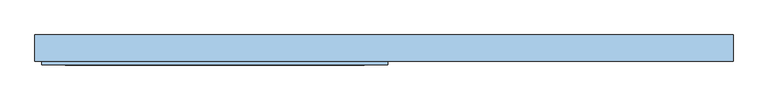
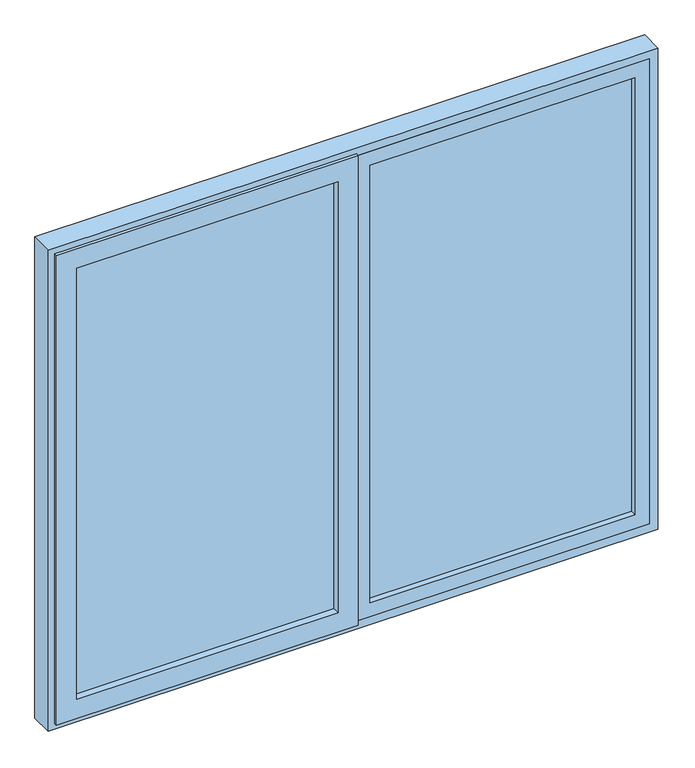
"""IFC4 building model written with IfcOpenShell, lengths in millimetres: window geometry."""

from ifc_helpers import new_model, si_unit, frame, origin, place, context, project, spatial, polyline, outline, extrude, faceted_brep, source, transform, mapped, element, save


def window_8573f0d1(model_context):
    return source(origin(), model_context, "Body", "SolidModel", [
        faceted_brep([(0.0, 33.8, 968.0), (0.0, 33.8, 925.0), (0.0, -29.2, 925.0), (0.0, -29.2, 968.0), (0.0, 33.3, 968.0), (0.0, 33.8, 2332.0), (0.0, 33.8, 2375.0), (875.0, 33.8, 2375.0), (875.0, 33.8, 925.0), (49.6, 33.8, 968.0), (832.0, 33.8, 968.0), (832.0, 33.8, 2332.0), (49.6, 33.8, 2332.0), (875.0, -29.2, 925.0), (0.0, -29.2, 2375.0), (0.0, -29.2, 2332.0), (3.4, -29.2, 2332.0), (3.4, -29.2, 968.0), (875.0, -29.2, 2375.0), (832.0, -29.2, 968.0), (49.6, -29.2, 968.0), (49.6, -29.2, 2332.0), (832.0, -29.2, 2332.0), (3.4, 33.3, 968.0), (-40.4, 33.3, 968.0), (-40.4, 38.8, 968.0), (49.6, 38.8, 968.0), (3.4, 33.3, 2332.0), (49.6, 38.8, 2332.0), (-40.4, 33.3, 2332.0), (0.0, 33.3, 2332.0), (-40.4, 38.8, 2332.0)], [[[0, 1, 2, 3, 4]], [[5, 6, 7, 8, 1, 0, 9, 10, 11, 12]], [[2, 1, 8, 13]], [[14, 15, 16, 17, 3, 2, 13, 18], [19, 20, 21, 22]], [[4, 3, 17, 23]], [[19, 10, 9, 20]], [[24, 25, 26, 9, 0, 4]], [[27, 23, 17, 16]], [[18, 13, 8, 7]], [[26, 28, 12, 21, 20, 9]], [[19, 22, 11, 10]], [[29, 24, 4, 23, 27, 30]], [[29, 31, 25, 24]], [[31, 28, 26, 25]], [[15, 14, 6, 5, 30]], [[6, 14, 18, 7]], [[28, 31, 29, 30, 5, 12]], [[15, 30, 27, 16]], [[11, 22, 21, 12]]]),
        extrude(outline(polyline([(832.0, -11.2), (49.6, -11.2), (49.6, 30.8), (832.0, 30.8), (832.0, -11.2)])), frame((0.0, 0.0, 968.0), z_axis=(0.0, 0.0, 1.0), x_axis=(1.0, 0.0, 0.0)), (0.0, 0.0, 1.0), 1364.0),
        extrude(outline(polyline([(-50.4, -17.2), (-822.0, -17.2), (-822.0, 24.8), (-50.4, 24.8), (-50.4, -17.2)])), frame((0.0, 0.0, 978.0), z_axis=(0.0, 0.0, 1.0), x_axis=(1.0, 0.0, 0.0)), (0.0, 0.0, 1.0), 1344.0),
        faceted_brep([(-882.0, -38.7, 918.0), (-882.0, -29.2, 918.0), (9.6, -29.2, 918.0), (9.6, -38.7, 918.0), (9.6, -29.2, 2382.0), (9.6, -38.7, 2382.0), (-882.0, -29.2, 2382.0), (-7.9, -29.2, 2364.5), (-864.5, -29.2, 2364.5), (-864.5, -29.2, 935.5), (-7.9, -29.2, 935.5), (-882.0, -38.7, 2382.0), (-50.4, -38.7, 978.0), (-822.0, -38.7, 978.0), (-822.0, -38.7, 2322.0), (-50.4, -38.7, 2322.0), (-822.0, 24.77, 978.0), (-50.4, 24.77, 978.0), (-50.4, 24.77, 2322.0), (-45.4, 24.77, 973.0), (-827.0, 24.77, 973.0), (-827.0, 24.77, 2327.0), (-45.4, 24.77, 2327.0), (-822.0, 24.77, 2322.0), (-827.0, 33.3, 973.0), (-45.4, 33.3, 973.0), (-45.4, 33.3, 2327.0), (-7.9, 33.3, 935.5), (-864.5, 33.3, 935.5), (-864.5, 33.3, 2364.5), (-7.9, 33.3, 2364.5), (-827.0, 33.3, 2327.0)], [[[0, 1, 2, 3]], [[3, 2, 4, 5]], [[2, 1, 6, 4], [7, 8, 9, 10]], [[5, 11, 0, 3], [12, 13, 14, 15]], [[16, 13, 12, 17]], [[17, 12, 15, 18]], [[19, 20, 21, 22], [18, 23, 16, 17]], [[24, 20, 19, 25]], [[25, 19, 22, 26]], [[27, 28, 29, 30], [26, 31, 24, 25]], [[9, 28, 27, 10]], [[10, 27, 30, 7]], [[11, 6, 1, 0]], [[23, 14, 13, 16]], [[31, 21, 20, 24]], [[8, 29, 28, 9]], [[5, 4, 6, 11]], [[18, 15, 14, 23]], [[26, 22, 21, 31]], [[7, 30, 29, 8]]]),
        faceted_brep([(-875.0, 33.8, 925.0), (-875.0, -29.2, 925.0), (875.0, -29.2, 925.0), (875.0, 33.8, 925.0), (875.0, -29.2, 2375.0), (875.0, 33.8, 2375.0), (900.0, -29.2, 2400.0), (-900.0, -29.2, 2400.0), (-900.0, -29.2, 900.0), (900.0, -29.2, 900.0), (-875.0, -29.2, 2375.0), (-875.0, 33.8, 2375.0), (832.0, 33.8, 968.0), (-832.0, 33.8, 968.0), (-832.0, 33.8, 2332.0), (832.0, 33.8, 2332.0), (-832.0, 38.8, 968.0), (832.0, 38.8, 968.0), (832.0, 38.8, 2332.0), (900.0, 38.8, 900.0), (-900.0, 38.8, 900.0), (-900.0, 38.8, 2400.0), (900.0, 38.8, 2400.0), (-832.0, 38.8, 2332.0)], [[[0, 1, 2, 3]], [[3, 2, 4, 5]], [[6, 7, 8, 9], [2, 1, 10, 4]], [[5, 11, 0, 3], [12, 13, 14, 15]], [[16, 13, 12, 17]], [[17, 12, 15, 18]], [[19, 20, 21, 22], [18, 23, 16, 17]], [[19, 22, 6, 9]], [[8, 20, 19, 9]], [[11, 10, 1, 0]], [[23, 14, 13, 16]], [[7, 21, 20, 8]], [[5, 4, 10, 11]], [[18, 15, 14, 23]], [[6, 22, 21, 7]]]),
    ])


if __name__ == "__main__":
    model = new_model("IFC4")
    model_context = context("Model", 3, world=origin())
    ifc_project = project(units=[si_unit("LENGTHUNIT", "METRE", prefix="MILLI")], contexts=[model_context])
    site = spatial("IfcSite", under=ifc_project)
    building = spatial("IfcBuilding", under=site)
    placement = place(None, origin())
    window_shape = window_8573f0d1(model_context)
    element("IfcWindow", 1, at=placement, inside=building, context=model_context, shape_type="MappedRepresentation", body=[
        mapped(window_shape, transform((0.0, 0.0, 0.0), x_axis=(1.0, 0.0, 0.0), y_axis=(0.0, 1.0, 0.0), z_axis=(0.0, 0.0, 1.0))),
    ])
    save(model, "model.ifc")
